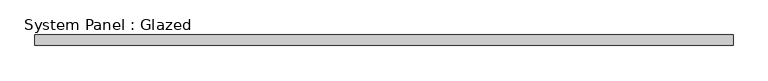
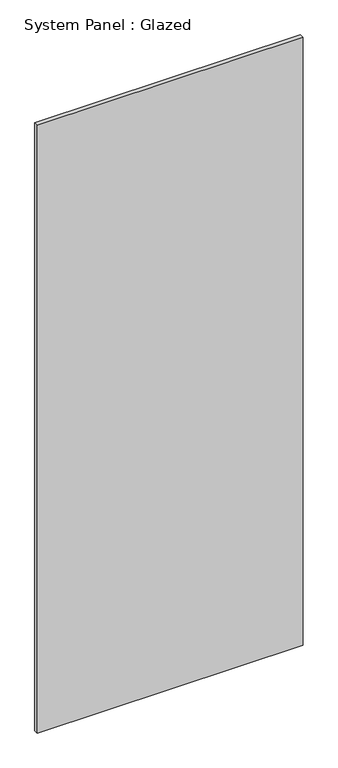
"""IFC4 building model written with IfcOpenShell, lengths in millimetres: plate geometry, System Panel : Glazed."""

from ifc_helpers import new_model, si_unit, origin, origin_with_axes, place, context, project, spatial, polyline, outline, extrude, source, transform, mapped, element, save


def system_panel_glazed_ce81b3b7(model_context):
    return source(origin(), model_context, "Body", "SweptSolid", [
        extrude(outline(polyline([(827.8623785, -49.5), (-827.8623785, -49.5), (-827.8623785, -24.5), (827.8623785, -24.5), (827.8623785, -49.5)])), origin_with_axes(), (0.0, 0.0, 1.0), 4000.0),
    ])


if __name__ == "__main__":
    model = new_model("IFC4")
    model_context = context("Model", 3, world=origin())
    ifc_project = project(units=[si_unit("LENGTHUNIT", "METRE", prefix="MILLI")], contexts=[model_context])
    site = spatial("IfcSite", under=ifc_project)
    building = spatial("IfcBuilding", under=site)
    placement = place(None, origin())
    system_panel_glazed_shape = system_panel_glazed_ce81b3b7(model_context)
    element("IfcPlate", 1, ObjectType="System Panel : Glazed", at=placement, inside=building, context=model_context, shape_type="MappedRepresentation", body=[
        mapped(system_panel_glazed_shape, transform((0.0, 0.0, 0.0), x_axis=(1.0, 0.0, 0.0), y_axis=(0.0, 1.0, 0.0), z_axis=(0.0, 0.0, 1.0))),
    ])
    save(model, "model.ifc")
